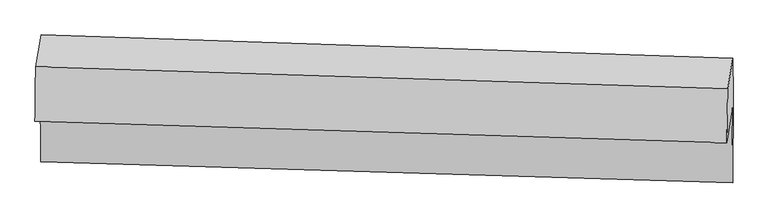
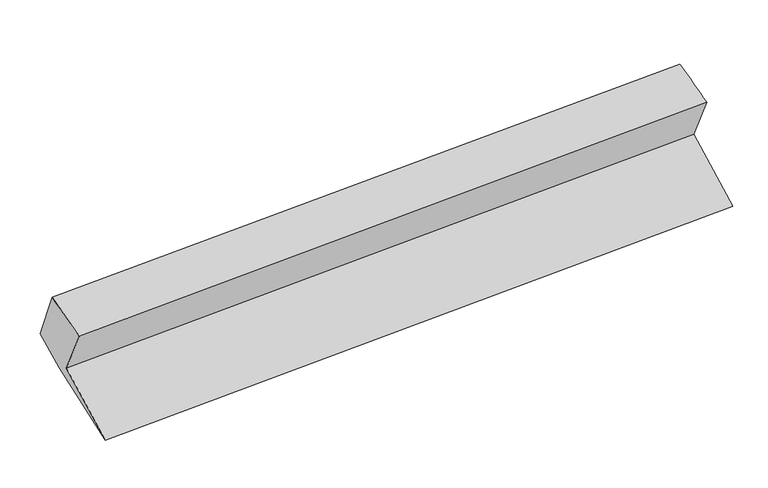
"""IFC4 building model written with IfcOpenShell, lengths in millimetres: proxy geometry."""

import ifcopenshell
import ifcopenshell.guid

model = None  # the IFC model being written
_history = None  # IfcOwnerHistory: only IFC2X3 demands one
_inside = {}  # id of a spatial element -> (the spatial element, [elements in it])
_under = {}  # id of a project, library or spatial element -> (it, [spatial elements below it])
_declared = {}  # id of a project -> (the project, [libraries it declares])
_typed = {}  # id of a type object -> (the type object, [elements of that type])
_made_of = {}  # id of a material, layer set ... -> (it, [elements and type objects made of it])


def new_model(schema):
    """Start an empty IFC model of exactly this schema.

    Asked for "IFC4X3", IfcOpenShell would pick the latest addendum, in which some entities
    have other attributes; the version numbers below select the first issue.
    IFC2X3 requires an IfcOwnerHistory on every rooted entity: one is made here for all.
    """
    global model, _history
    if schema == "IFC4X3":
        model = ifcopenshell.file(schema_version=(4, 3, 0, 0))
    else:
        model = ifcopenshell.file(schema=schema)
    _inside.clear()
    _under.clear()
    _declared.clear()
    _typed.clear()
    _made_of.clear()
    _history = None
    if model.schema == "IFC2X3":
        org = make("IfcOrganization", Name="unknown")
        user = make(
            "IfcPersonAndOrganization",
            ThePerson=make("IfcPerson", FamilyName="unknown"),
            TheOrganization=org,
        )
        app = make(
            "IfcApplication",
            ApplicationDeveloper=org,
            Version="unknown",
            ApplicationFullName="unknown",
            ApplicationIdentifier="unknown",
        )
        _history = make(
            "IfcOwnerHistory",
            OwningUser=user,
            OwningApplication=app,
            ChangeAction="ADDED",
            CreationDate=0,
        )
    return model


def make(cls, **values):
    """One entity of the class cls with the attributes given. An attribute that is None is left unset."""
    return model.create_entity(
        cls, **{name: value for name, value in values.items() if value is not None}
    )


def rooted(cls, **values):
    """An entity with a GlobalId (a new one), such as an element, a storey or a relation."""
    return make(cls, GlobalId=ifcopenshell.guid.new(), OwnerHistory=_history, **values)


def si_unit(unit_type, name, prefix=None):
    """IfcSIUnit, for example si_unit("LENGTHUNIT", "METRE", prefix="MILLI")."""
    return make("IfcSIUnit", UnitType=unit_type, Prefix=prefix, Name=name)


def assignment(units):
    """IfcUnitAssignment: the units of a project."""
    return None if units is None else make("IfcUnitAssignment", Units=units)


def point(xyz):
    """IfcCartesianPoint."""
    return None if xyz is None else make("IfcCartesianPoint", Coordinates=xyz)


def direction(xyz):
    """IfcDirection."""
    return None if xyz is None else make("IfcDirection", DirectionRatios=xyz)


def frame(location, z_axis=None, x_axis=None):
    """IfcAxis2Placement3D, a coordinate frame: its origin and axes. An axis left out is left unset."""
    return make(
        "IfcAxis2Placement3D",
        Location=point(location),
        Axis=direction(z_axis),
        RefDirection=direction(x_axis),
    )


def origin():
    """The frame at (0, 0, 0) with its axes left unset."""
    return frame((0.0, 0.0, 0.0))


def place(relative_to, where):
    """IfcLocalPlacement: puts the frame where relative to a parent placement (None: the world)."""
    return make(
        "IfcLocalPlacement", PlacementRelTo=relative_to, RelativePlacement=where
    )


def context(
    kind, dimensions, precision=None, world=None, true_north=None, identifier=None
):
    """IfcGeometricRepresentationContext, for example the 3D "Model" context."""
    return make(
        "IfcGeometricRepresentationContext",
        ContextIdentifier=identifier,
        ContextType=kind,
        CoordinateSpaceDimension=dimensions,
        Precision=precision,
        WorldCoordinateSystem=world,
        TrueNorth=true_north,
    )


def project(units=None, contexts=None):
    """IfcProject with its units and contexts."""
    return rooted(
        "IfcProject",
        Name="project",
        RepresentationContexts=contexts,
        UnitsInContext=assignment(units),
    )


def spatial(cls, under=None, at=None, **own):
    """A site, building, storey or space (cls), placed at a placement, below another one or the project."""
    s = rooted(cls, ObjectPlacement=at, **own)
    if under is not None:
        _under.setdefault(under.id(), (under, []))[1].append(s)
    return s


def shape(context_of_items, identifier, shape_type, items):
    """IfcShapeRepresentation: the items that make up one representation, for example the "Body"."""
    return make(
        "IfcShapeRepresentation",
        ContextOfItems=context_of_items,
        RepresentationIdentifier=identifier,
        RepresentationType=shape_type,
        Items=items,
    )


def source(mapping_origin, context_of_items, identifier, shape_type, items):
    """IfcRepresentationMap: a shape defined once, which mapped items show again and again."""
    return make(
        "IfcRepresentationMap",
        MappingOrigin=mapping_origin,
        MappedRepresentation=shape(context_of_items, identifier, shape_type, items),
    )


def transform(
    local_origin,
    x_axis=None,
    y_axis=None,
    z_axis=None,
    scale=None,
    scale2=None,
    scale3=None,
    uniform=True,
):
    """IfcCartesianTransformationOperator3D, or its non-uniform kind. x_axis, y_axis, z_axis: its Axis1, 2, 3."""
    if uniform:
        return make(
            "IfcCartesianTransformationOperator3D",
            Axis1=direction(x_axis),
            Axis2=direction(y_axis),
            LocalOrigin=point(local_origin),
            Scale=scale,
            Axis3=direction(z_axis),
        )
    return make(
        "IfcCartesianTransformationOperator3DnonUniform",
        Axis1=direction(x_axis),
        Axis2=direction(y_axis),
        LocalOrigin=point(local_origin),
        Scale=scale,
        Axis3=direction(z_axis),
        Scale2=scale2,
        Scale3=scale3,
    )


def mapped(mapping_source, mapping_target):
    """IfcMappedItem: shows the shape of a source again, moved by a transform."""
    return make(
        "IfcMappedItem", MappingSource=mapping_source, MappingTarget=mapping_target
    )


def made_of(thing, what):
    """Note that an element or type object is made of a material, layer set ...; save() writes the relation."""
    if what is not None:
        _made_of.setdefault(what.id(), (what, []))[1].append(thing)
    return thing


def element(
    cls,
    number,
    at=None,
    inside=None,
    cuts=None,
    type_object=None,
    material=None,
    context=None,
    identifier="Body",
    shape_type=None,
    held_by="IfcProductDefinitionShape",
    body=None,
    shapes=None,
    **own,
):
    """One element of the class cls, such as IfcWall. Its Tag is "e" and its number.

    at: its placement. inside: the storey or other place that contains it. cuts: it is an
    opening in that element (IfcRelVoidsElement). A single representation is given by context,
    identifier, shape_type and body (its items); several are given by shapes. held_by: the class
    of the entity that holds the representations. save() writes the other relations.
    """
    e = rooted(cls, Tag="e%d" % number, ObjectPlacement=at, **own)
    if body is not None:
        shapes = [shape(context, identifier, shape_type, body)]
    if shapes is not None:
        e.Representation = make(held_by, Representations=shapes)
    if inside is not None:
        _inside.setdefault(inside.id(), (inside, []))[1].append(e)
    if cuts is not None:
        rooted(
            "IfcRelVoidsElement", RelatingBuildingElement=cuts, RelatedOpeningElement=e
        )
    if type_object is not None:
        _typed.setdefault(type_object.id(), (type_object, []))[1].append(e)
    return made_of(e, material)


def aggregate(whole, parts):
    """IfcRelAggregates: a whole, such as a stair, and the parts it consists of."""
    return rooted("IfcRelAggregates", RelatingObject=whole, RelatedObjects=parts)


def save(model, path):
    """Write the relations noted so far, then the file.

    IfcRelAggregates (storeys below a building ...), IfcRelContainedInSpatialStructure (elements
    in a storey), IfcRelDefinesByType, IfcRelAssociatesMaterial and IfcRelDeclares: one each for
    every whole, place, type object, material and project.
    """
    for whole, parts in _under.values():
        aggregate(whole, parts)
    for where, things in _inside.values():
        rooted(
            "IfcRelContainedInSpatialStructure",
            RelatedElements=things,
            RelatingStructure=where,
        )
    for kind, things in _typed.values():
        rooted("IfcRelDefinesByType", RelatedObjects=things, RelatingType=kind)
    for what, things in _made_of.values():
        rooted("IfcRelAssociatesMaterial", RelatedObjects=things, RelatingMaterial=what)
    for by, libraries in _declared.values():
        rooted("IfcRelDeclares", RelatingContext=by, RelatedDefinitions=libraries)
    model.write(path)


def plane_surface(at):
    """IfcPlane: the flat surface through the origin of the frame at, square to its z axis."""
    return make("IfcPlane", Position=at)


def spline_surface(u_degree, v_degree, points, u_multiplicities, v_multiplicities, u_knots, v_knots, weights=None):
    """IfcBSplineSurfaceWithKnots; with weights, IfcRationalBSplineSurfaceWithKnots. points: one row for each step in u."""
    own = dict(
        UDegree=u_degree,
        VDegree=v_degree,
        ControlPointsList=[[point(p) for p in row] for row in points],
        SurfaceForm="UNSPECIFIED",
        UClosed=False,
        VClosed=False,
        SelfIntersect=False,
        UMultiplicities=u_multiplicities,
        VMultiplicities=v_multiplicities,
        UKnots=u_knots,
        VKnots=v_knots,
        KnotSpec="UNSPECIFIED",
    )
    if weights is None:
        return make("IfcBSplineSurfaceWithKnots", **own)
    return make("IfcRationalBSplineSurfaceWithKnots", WeightsData=weights, **own)


def advanced_brep(points, edges, surfaces, faces):
    """IfcAdvancedBrep: a solid bounded by faces that lie on surfaces and meet in shared edges.

    An edge is (start, end): straight between two places in points (the first is 0);
    or (start, end, curve); or (start, end, curve, False) where it runs against its curve.
    A face is (place in surfaces, loops), or (place, loops, False) where it looks against
    its surface's normal. A loop lists edges by number (the first is 1), with a minus sign
    where the edge is run from its end to its start. The first loop is the outer one.
    """
    corners = [point(p) for p in points]
    vertices = [make("IfcVertexPoint", VertexGeometry=c) for c in corners]
    made = []
    for start, end, *more in edges:
        made.append(
            make(
                "IfcEdgeCurve",
                EdgeStart=vertices[start],
                EdgeEnd=vertices[end],
                EdgeGeometry=more[0] if more else make("IfcPolyline", Points=[corners[start], corners[end]]),
                SameSense=more[1] if len(more) > 1 else True,
            )
        )
    hull = []
    for where, loops, *sense in faces:
        bounds = []
        for j, loop in enumerate(loops):
            ring = [make("IfcOrientedEdge", EdgeElement=made[abs(k) - 1], Orientation=k > 0) for k in loop]
            bounds.append(
                make(
                    "IfcFaceOuterBound" if j == 0 else "IfcFaceBound",
                    Bound=make("IfcEdgeLoop", EdgeList=ring),
                    Orientation=True,
                )
            )
        hull.append(make("IfcAdvancedFace", Bounds=bounds, FaceSurface=surfaces[where], SameSense=sense[0] if sense else True))
    return make("IfcAdvancedBrep", Outer=make("IfcClosedShell", CfsFaces=hull))


def generic_models_3a8aa5c5(model_context):
    return source(origin(), model_context, "Body", "AdvancedBrep", [
        advanced_brep(
        [(-6195.2912684, -1696.3640674, 2125.3042017), (-6145.0277273, -1366.4892765, 1546.9137696), (446.3659578, -1567.7410476, 2004.9415779), (396.1024167, -1897.6158385, 2583.33201), (-6140.0346674, -2079.7075705, 1161.680242), (451.3590177, -2280.9593416, 1619.7080503), (-6133.6577392, -1212.0070494, 1451.1679548), (455.5345816, -1436.2860656, 1930.7573025), (-6136.0383312, -871.9586987, 1634.8396677), (453.1475368, -1095.3159748, 2114.9268786), (-6188.0731099, -1177.0740575, 2249.5986404), (403.3821706, -1387.1242223, 2702.8741361)],
        [
            (0, 1),
            (1, 2),
            (2, 3),
            (3, 0),
            (1, 4),
            (4, 5),
            (5, 2),
            (4, 6),
            (6, 7),
            (7, 5),
            (6, 8),
            (8, 9),
            (9, 7),
            (8, 10),
            (10, 11),
            (11, 9),
            (10, 0),
            (3, 11),
        ],
        [
            plane_surface(frame((-6170.1594979, -1531.4266719, 1836.1089856), z_axis=(0.00785900599161653, -0.8689199636797748, -0.49489022292177365), x_axis=(0.0752739021735943, 0.49401538693178576, -0.8661885690345943))),
            plane_surface(frame((-6142.5311973, -1723.0984235, 1354.2970058), z_axis=(-0.07543198587643879, -0.47429504537489847, 0.8771283973510149), x_axis=(0.006159531666613631, -0.8798393692825107, -0.4752312536336407))),
            spline_surface(1, 1, [[(-6140.0346674, -2079.7075705, 1161.680242), (451.3590177, -2280.9593416, 1619.7080503)], [(-6133.6577392, -1212.0070494, 1451.1679548), (455.5345816, -1436.2860656, 1930.7573025)]], [2, 2], [2, 2], [0.0, 1.0], [0.0, 1.0]),
            plane_surface(frame((-6134.8480352, -1041.982874, 1543.0038113), z_axis=(0.07995648195323064, 0.47415199311928397, -0.8768049089818519), x_axis=(-0.0061595316666136655, 0.8798393692825115, 0.4752312536336394))),
            plane_surface(frame((-6162.0557205, -1024.5163781, 1942.219154), z_axis=(-0.002015717873084164, 0.8958090011106475, 0.44443466382652924), x_axis=(-0.07560099930384931, -0.443300166481266, 0.89317940599968))),
            spline_surface(1, 1, [[(-6188.0731099, -1177.0740575, 2249.5986404), (403.3821706, -1387.1242223, 2702.8741361)], [(-6195.2912684, -1696.3640674, 2125.3042017), (396.1024167, -1897.6158385, 2583.33201)]], [2, 2], [2, 2], [0.0, 1.0], [0.0, 1.0]),
            plane_surface(frame((434.3152802, -1610.8404151, 2159.4233259), z_axis=(0.9971319249108328, -0.030444937072970867, 0.06928946622857123), x_axis=(-0.07560099930384931, -0.443300166481266, 0.89317940599968))),
            plane_surface(frame((-6156.3538072, -1400.60012, 1694.9174127), z_axis=(-0.9971319249108336, 0.030444937072966416, -0.06928946622856122), x_axis=(0.013516977324458855, 0.9724407144971554, 0.2327581322151215))),
        ],
        [
            (0, [[1, 2, 3, 4]]),
            (1, [[5, 6, 7, -2]]),
            (2, [[8, 9, 10, -6]]),
            (3, [[11, 12, 13, -9]]),
            (4, [[14, 15, 16, -12]]),
            (5, [[17, -4, 18, -15]]),
            (6, [[-16, -18, -3, -7, -10, -13]]),
            (7, [[-17, -14, -11, -8, -5, -1]]),
        ],
    ),
    ])


if __name__ == "__main__":
    model = new_model("IFC4")
    model_context = context("Model", 3, world=origin())
    ifc_project = project(units=[si_unit("LENGTHUNIT", "METRE", prefix="MILLI")], contexts=[model_context])
    site = spatial("IfcSite", under=ifc_project)
    building = spatial("IfcBuilding", under=site)
    placement = place(None, origin())
    generic_models_shape = generic_models_3a8aa5c5(model_context)
    element("IfcBuildingElementProxy", 1, Name="Generic Models", at=placement, inside=building, context=model_context, shape_type="MappedRepresentation", body=[
        mapped(generic_models_shape, transform((0.0, 0.0, 0.0), x_axis=(1.0, 0.0, 0.0), y_axis=(0.0, 1.0, 0.0), z_axis=(0.0, 0.0, 1.0))),
    ])
    save(model, "model.ifc")
